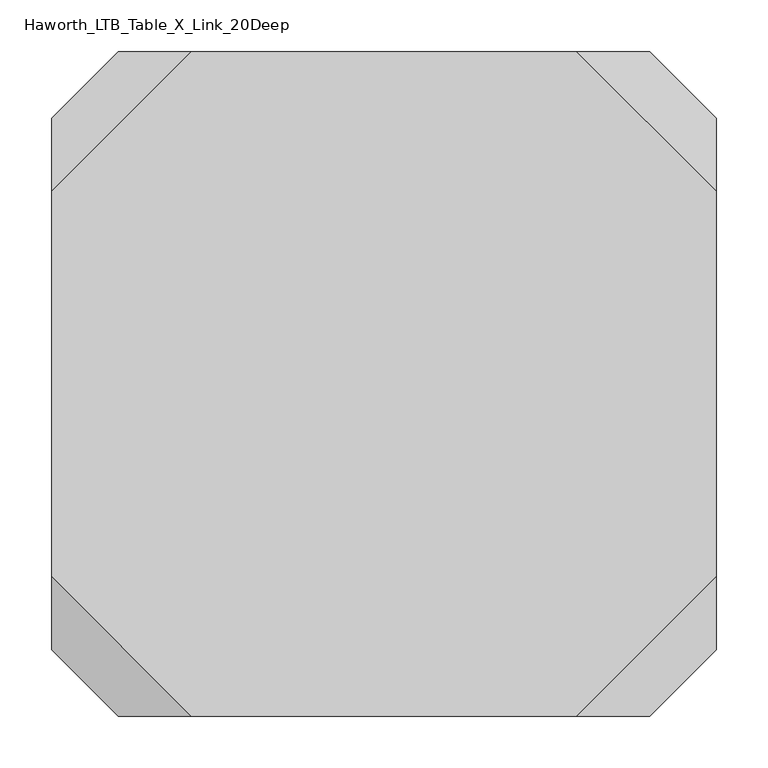
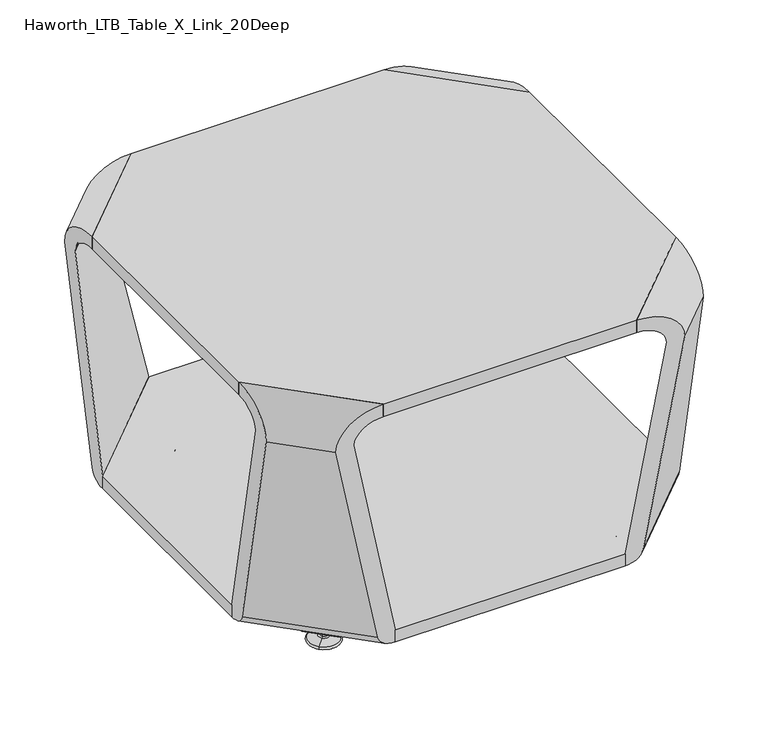
"""IFC4 building model written with IfcOpenShell, lengths in millimetres: furniture geometry, Haworth_LTB_Table_X_Link_20Deep."""

from ifc_helpers import new_model, si_unit, point, frame, frame_2d, origin, place, context, project, spatial, polyline, circle_curve, ellipse_curve, trimmed, segment, composite_curve, outline, extrude, source, transform, mapped, element, save
from ifc_brep_helpers import plane_surface, cylinder_surface, revolved_surface, advanced_brep


def haworth_ltb_table_x_link_20deep_83288679(model_context):
    return source(origin(), model_context, "Body", "SolidModel", [
        extrude(outline(polyline([(123.855675, -689.2395615), (123.855675, -360.9008317), (284.7619726, -199.9945342), (613.1005112, -199.9945342), (765.205675, -352.0996981), (765.205675, -689.2393738), (613.1005146, -841.3445342), (275.9606478, -841.3445342), (123.855675, -689.2395615)])), frame((0.0, 0.0, 50.0000004), z_axis=(0.0, 0.0, 1.0), x_axis=(1.0, 0.0, 0.0)), (0.0, 0.0, 1.0), 18.9999985),
        extrude(outline(polyline([(123.855675, -334.8572138), (258.7183546, -199.9945342), (630.3429954, -199.9945342), (765.205675, -334.8572138), (765.205675, -706.4818546), (630.3429954, -841.3445342), (258.7183546, -841.3445342), (123.855675, -706.4818546), (123.855675, -334.8572138)])), frame((0.0, 0.0, 406.0000002), z_axis=(0.0, 0.0, 1.0), x_axis=(1.0, 0.0, 0.0)), (0.0, 0.0, 1.0), 19.4499998),
        advanced_brep(
        [(765.205675, -706.4818546, 425.45), (765.205675, -777.1925821, 375.0000029), (765.205675, -715.8480344, 66.3557108), (765.205675, -689.2394478, 50.0000004), (765.205675, -689.2394841, 68.9999989), (765.205675, -750.2911718, 376.1711523), (765.205675, -706.4818546, 406.0000002), (630.3429954, -841.3445342, 406.0000002), (674.1523126, -841.3445342, 376.1711523), (613.1006249, -841.3445342, 68.9999989), (613.1005886, -841.3445342, 50.0000004), (639.7091752, -841.3445342, 66.3557108), (701.0537229, -841.3445342, 375.0000029), (630.3429954, -841.3445342, 425.45)],
        [
            (0, 1, ellipse_curve(frame((765.205675, -705.6435015, 374.8604405), z_axis=(1.0, 0.0, 0.0), x_axis=(0.0, 1.0, 0.0)), 71.5493529, 50.5930326)),
            (1, 2),
            (2, 3, ellipse_curve(frame((765.205675, -689.2394737, 69.000001), z_axis=(1.0, 0.0, 0.0), x_axis=(0.0, 1.0, 0.0)), 26.8700585, 19.0000006)),
            (3, 4),
            (4, 5),
            (5, 6, ellipse_curve(frame((765.205675, -706.4818526, 375.0000031), z_axis=(-1.0, 0.0, 0.0), x_axis=(0.0, -1.0, 0.0)), 43.8406163, 30.9999971)),
            (6, 0),
            (7, 8, ellipse_curve(frame((630.3429934, -841.3445342, 375.0000031), z_axis=(0.0, 1.0, 0.0), x_axis=(-1.0, 0.0, 0.0)), 43.8406163, 30.9999971)),
            (8, 9),
            (9, 10),
            (10, 11, ellipse_curve(frame((613.1006145, -841.3445342, 69.000001), z_axis=(0.0, -1.0, 0.0), x_axis=(1.0, 0.0, 0.0)), 26.8700585, 19.0000006)),
            (11, 12),
            (12, 13, ellipse_curve(frame((629.5046423, -841.3445342, 374.8604405), z_axis=(0.0, -1.0, 0.0), x_axis=(1.0, 0.0, 0.0)), 71.5493529, 50.5930326)),
            (13, 7),
            (13, 0),
            (6, 7),
            (5, 8),
            (4, 9),
            (3, 10),
            (2, 11),
            (1, 12),
        ],
        [
            plane_surface(frame((765.205675, -916.3539092, 476.25), z_axis=(1.0, 0.0, 0.0), x_axis=(0.0, 0.0, -1.0))),
            plane_surface(frame((48.8463, -841.3445342, 476.25), z_axis=(0.0, -1.0, 0.0), x_axis=(0.0, 0.0, -1.0))),
            plane_surface(frame((823.4979209, -648.1896087, 425.45), z_axis=(-0.7071067811865491, 0.707106781186546, 0.0), x_axis=(-0.707106781186546, -0.7071067811865491, 0.0))),
            revolved_surface(polyline([(630.3429934161734, -885.1851505161733, 375.0000031), (809.0462913161731, -706.4818526161728, 375.0000031)]), (572.0507485, -899.6367791, 375.0000031), (-0.707106781186546, -0.7071067811865491, 0.0)),
            plane_surface(frame((845.4025795, -670.0942673, 376.1711523), z_axis=(-0.7002252753679965, 0.7002252753679934, 0.13917301272743787), x_axis=(-0.707106781186546, -0.7071067811865491, 0.0))),
            plane_surface(frame((814.8767357, -639.5684235, 68.9999989), z_axis=(-0.7071067811859026, 0.7071067811858995, 1.352248489364839e-06), x_axis=(-0.707106781186546, -0.7071067811865491, 0.0))),
            cylinder_surface(frame((563.4295591, -891.0155896, 69.000001), z_axis=(0.707106781186546, 0.7071067811865491, 0.0), x_axis=(0.7071067811865491, -0.707106781186546, 0.0)), 19.0000006),
            plane_surface(frame((828.1810108, -652.8726986, 66.3557108), z_axis=(0.7002252605744773, -0.700225260574474, -0.13917316158949414), x_axis=(-0.7071067811865458, -0.7071067811865492, 0.0))),
            cylinder_surface(frame((571.631573, -899.2176035, 374.8604405), z_axis=(0.707106781186546, 0.7071067811865491, 0.0), x_axis=(0.7071067811865491, -0.707106781186546, 0.0)), 50.5930326),
        ],
        [
            (0, [[1, 2, 3, 4, 5, 6, 7]]),
            (1, [[8, 9, 10, 11, 12, 13, 14]]),
            (2, [[15, -7, 16, -14]]),
            (3, [[-16, -6, 17, -8]]),
            (4, [[-17, -5, 18, -9]]),
            (5, [[-18, -4, 19, -10]]),
            (6, [[-19, -3, 20, -11]]),
            (7, [[-20, -2, 21, -12]]),
            (8, [[-21, -1, -15, -13]]),
        ],
    ),
        advanced_brep(
        [(123.855675, -706.4818546, 406.0000002), (123.855675, -750.2911718, 376.1711523), (123.855675, -689.2394841, 68.9999989), (123.855675, -689.2394478, 50.0000004), (123.855675, -715.8480344, 66.3557108), (123.855675, -777.1925821, 375.0000029), (123.855675, -706.4818546, 425.45), (258.7183546, -841.3445342, 406.0000002), (258.7183546, -841.3445342, 425.45), (214.9090374, -841.3445342, 376.1711523), (275.9607252, -841.3445342, 68.9999989), (275.9607615, -841.3445342, 50.0000004), (249.3521749, -841.3445342, 66.3557108), (188.0076271, -841.3445342, 375.0000029)],
        [
            (0, 1, ellipse_curve(frame((123.855675, -706.4818526, 375.0000031), z_axis=(1.0, 0.0, 0.0), x_axis=(0.0, -1.0, 0.0)), 43.8406163, 30.9999971)),
            (1, 2),
            (2, 3),
            (3, 4, ellipse_curve(frame((123.855675, -689.2394737, 69.000001), z_axis=(-1.0, 0.0, 0.0), x_axis=(0.0, 1.0, 0.0)), 26.8700585, 19.0000006)),
            (4, 5),
            (5, 6, ellipse_curve(frame((123.855675, -705.6435015, 374.8604405), z_axis=(-1.0, 0.0, 0.0), x_axis=(0.0, 1.0, 0.0)), 71.5493529, 50.5930326)),
            (6, 0),
            (7, 0),
            (6, 8),
            (8, 7),
            (9, 1),
            (7, 9, ellipse_curve(frame((258.7183567, -841.3445342, 375.0000031), z_axis=(0.0, -1.0, 0.0), x_axis=(1.0, 0.0, 0.0)), 43.8406163, 30.9999971)),
            (10, 2),
            (9, 10),
            (11, 3),
            (10, 11),
            (12, 4),
            (11, 12, ellipse_curve(frame((275.9607356, -841.3445342, 69.000001), z_axis=(0.0, 1.0, 0.0), x_axis=(-1.0, 0.0, 0.0)), 26.8700585, 19.0000006)),
            (13, 5),
            (12, 13),
            (13, 8, ellipse_curve(frame((259.5567078, -841.3445342, 374.8604405), z_axis=(0.0, 1.0, 0.0), x_axis=(-1.0, 0.0, 0.0)), 71.5493529, 50.5930326)),
        ],
        [
            plane_surface(frame((123.855675, -124.9851592, 476.25), z_axis=(-1.0, 0.0, 0.0), x_axis=(0.0, 0.0, -1.0))),
            plane_surface(frame((65.5634291, -648.1896087, 406.0000002), z_axis=(0.7071067811865491, 0.707106781186546, 0.0), x_axis=(0.707106781186546, -0.7071067811865491, 0.0))),
            revolved_surface(polyline([(258.71835668382664, -885.1851505161732, 375.0000031), (80.01505873382709, -706.4818525661728, 375.0000031)]), (317.0106016, -899.6367791, 375.0000031), (0.707106781186546, -0.7071067811865491, 0.0)),
            plane_surface(frame((74.1846144, -639.5684235, 68.9999989), z_axis=(0.7002252753679965, 0.7002252753679933, 0.13917301272743782), x_axis=(0.7071067811865459, -0.7071067811865491, 0.0))),
            plane_surface(frame((74.1846326, -639.5684053, 50.0000004), z_axis=(0.7071067811859026, 0.7071067811858994, 1.352248489364839e-06), x_axis=(0.7071067811865459, -0.7071067811865491, 0.0))),
            cylinder_surface(frame((325.631791, -891.0155896, 69.000001), z_axis=(-0.707106781186546, 0.7071067811865491, 0.0), x_axis=(-0.7071067811865491, -0.707106781186546, 0.0)), 19.0000006),
            plane_surface(frame((30.2080654, -683.5449725, 375.0000029), z_axis=(-0.7002252605744772, -0.7002252605744741, -0.1391731615894943), x_axis=(0.707106781186546, -0.7071067811865491, 0.0))),
            cylinder_surface(frame((317.4297771, -899.2176035, 374.8604405), z_axis=(-0.707106781186546, 0.7071067811865491, 0.0), x_axis=(-0.7071067811865491, -0.707106781186546, 0.0)), 50.5930326),
            plane_surface(frame((48.8463, -841.3445342, 476.25), z_axis=(0.0, -1.0, 0.0), x_axis=(0.0, 0.0, -1.0))),
        ],
        [
            (0, [[1, 2, 3, 4, 5, 6, 7]]),
            (1, [[8, -7, 9, 10]]),
            (2, [[11, -1, -8, 12]]),
            (3, [[13, -2, -11, 14]]),
            (4, [[15, -3, -13, 16]]),
            (5, [[17, -4, -15, 18]]),
            (6, [[19, -5, -17, 20]]),
            (7, [[-9, -6, -19, 21]]),
            (8, [[-21, -20, -18, -16, -14, -12, -10]]),
        ],
    ),
        advanced_brep(
        [(630.3429954, -199.9945342, 425.45), (701.0537229, -199.9945342, 375.0000029), (639.7091752, -199.9945342, 66.3557108), (613.1005886, -199.9945342, 50.0000004), (613.1006249, -199.9945342, 68.9999989), (674.1523126, -199.9945342, 376.1711523), (630.3429954, -199.9945342, 406.0000002), (765.205675, -334.8572138, 406.0000002), (765.205675, -334.8572138, 425.45), (765.205675, -291.0478966, 376.1711523), (765.205675, -352.0995843, 68.9999989), (765.205675, -352.0996207, 50.0000004), (765.205675, -325.4910341, 66.3557108), (765.205675, -264.1464863, 375.0000029)],
        [
            (0, 1, ellipse_curve(frame((629.5046423, -199.9945342, 374.8604405), z_axis=(0.0, 1.0, 0.0), x_axis=(1.0, 0.0, 0.0)), 71.5493529, 50.5930326)),
            (1, 2),
            (2, 3, ellipse_curve(frame((613.1006145, -199.9945342, 69.000001), z_axis=(0.0, 1.0, 0.0), x_axis=(1.0, 0.0, 0.0)), 26.8700585, 19.0000006)),
            (3, 4),
            (4, 5),
            (5, 6, ellipse_curve(frame((630.3429934, -199.9945342, 375.0000031), z_axis=(0.0, -1.0, 0.0), x_axis=(-1.0, 0.0, 0.0)), 43.8406163, 30.9999971)),
            (6, 0),
            (6, 7),
            (7, 8),
            (8, 0),
            (5, 9),
            (9, 7, ellipse_curve(frame((765.205675, -334.8572159, 375.0000031), z_axis=(1.0, 0.0, 0.0), x_axis=(0.0, 1.0, 0.0)), 43.8406163, 30.9999971)),
            (4, 10),
            (10, 9),
            (3, 11),
            (11, 10),
            (2, 12),
            (12, 11, ellipse_curve(frame((765.205675, -352.0995948, 69.000001), z_axis=(-1.0, 0.0, 0.0), x_axis=(0.0, -1.0, 0.0)), 26.8700585, 19.0000006)),
            (1, 13),
            (13, 12),
            (8, 13, ellipse_curve(frame((765.205675, -335.695567, 374.8604405), z_axis=(-1.0, 0.0, 0.0), x_axis=(0.0, -1.0, 0.0)), 71.5493529, 50.5930326)),
        ],
        [
            plane_surface(frame((915.224425, -199.9945342, 476.25), z_axis=(0.0, 1.0, 0.0), x_axis=(0.0, 0.0, -1.0))),
            plane_surface(frame((823.4979209, -393.1494597, 406.0000002), z_axis=(-0.707106781186549, -0.7071067811865461, 0.0), x_axis=(-0.7071067811865461, 0.707106781186549, 0.0))),
            revolved_surface(polyline([(630.3429933661733, -156.15391793382682, 375.0000031), (809.0462913161731, -334.8572158838273, 375.0000031)]), (572.0507485, -141.7022894, 375.0000031), (-0.707106781186546, 0.7071067811865491, 0.0)),
            plane_surface(frame((814.8767357, -401.770645, 68.9999989), z_axis=(-0.7002252753679965, -0.7002252753679933, 0.13917301272743776), x_axis=(-0.7071067811865459, 0.7071067811865491, 0.0))),
            plane_surface(frame((814.8767175, -401.7706631, 50.0000004), z_axis=(-0.7071067811859026, -0.7071067811858995, 1.3522484888926165e-06), x_axis=(-0.707106781186546, 0.7071067811865491, 0.0))),
            cylinder_surface(frame((563.4295591, -150.3234788, 69.000001), z_axis=(0.707106781186546, -0.7071067811865491, 0.0), x_axis=(0.7071067811865491, 0.707106781186546, 0.0)), 19.0000006),
            plane_surface(frame((858.8532847, -357.794096, 375.0000029), z_axis=(0.7002252605744772, 0.7002252605744741, -0.13917316158949425), x_axis=(-0.707106781186546, 0.7071067811865491, 0.0))),
            cylinder_surface(frame((571.631573, -142.1214649, 374.8604405), z_axis=(0.707106781186546, -0.7071067811865491, 0.0), x_axis=(0.7071067811865491, 0.707106781186546, 0.0)), 50.5930326),
            plane_surface(frame((765.205675, -916.3539092, 476.25), z_axis=(1.0, 0.0, 0.0), x_axis=(0.0, 0.0, -1.0))),
        ],
        [
            (0, [[1, 2, 3, 4, 5, 6, 7]]),
            (1, [[8, 9, 10, -7]]),
            (2, [[11, 12, -8, -6]]),
            (3, [[13, 14, -11, -5]]),
            (4, [[15, 16, -13, -4]]),
            (5, [[17, 18, -15, -3]]),
            (6, [[19, 20, -17, -2]]),
            (7, [[-10, 21, -19, -1]]),
            (8, [[-12, -14, -16, -18, -20, -21, -9]]),
        ],
    ),
        advanced_brep(
        [(258.7183546, -199.9945342, 425.45), (123.855675, -334.8572138, 425.45), (123.855675, -334.8572138, 406.0000002), (258.7183546, -199.9945342, 406.0000002), (123.855675, -291.0478966, 376.1711523), (214.9090374, -199.9945342, 376.1711523), (123.855675, -360.9008317, 68.9999989), (284.7619726, -199.9945342, 68.9999989), (123.855675, -360.9008317, 49.9999749), (284.7619726, -199.9945342, 49.9999749), (123.855675, -334.2922451, 66.3557108), (258.153386, -199.9945342, 66.3557108), (123.855675, -264.1464863, 375.0000029), (188.0076271, -199.9945342, 375.0000029)],
        [
            (0, 1),
            (1, 2),
            (2, 3),
            (3, 0),
            (2, 4, ellipse_curve(frame((123.855675, -334.8572159, 375.0000031), z_axis=(-1.0, 0.0, 0.0), x_axis=(0.0, 1.0, 0.0)), 43.8406163, 30.9999971)),
            (4, 5),
            (5, 3, ellipse_curve(frame((258.7183567, -199.9945342, 375.0000031), z_axis=(0.0, 1.0, 0.0), x_axis=(1.0, 0.0, 0.0)), 43.8406163, 30.9999971)),
            (4, 6),
            (6, 7),
            (7, 5),
            (6, 8),
            (8, 9),
            (9, 7),
            (8, 10, ellipse_curve(frame((123.855675, -360.9008422, 69.000001), z_axis=(1.0, 0.0, 0.0), x_axis=(0.0, -1.0, 0.0)), 26.8700945, 19.000026)),
            (10, 11),
            (11, 9, ellipse_curve(frame((284.761983, -199.9945342, 69.000001), z_axis=(0.0, -1.0, 0.0), x_axis=(-1.0, 0.0, 0.0)), 26.8700945, 19.000026)),
            (10, 12),
            (12, 13),
            (13, 11),
            (12, 1, ellipse_curve(frame((123.855675, -335.695567, 374.8604405), z_axis=(1.0, 0.0, 0.0), x_axis=(0.0, -1.0, 0.0)), 71.5493529, 50.5930326)),
            (0, 13, ellipse_curve(frame((259.5567078, -199.9945342, 374.8604405), z_axis=(0.0, -1.0, 0.0), x_axis=(-1.0, 0.0, 0.0)), 71.5493529, 50.5930326)),
        ],
        [
            plane_surface(frame((65.5634291, -393.1494597, 425.45), z_axis=(0.7071067811865491, -0.7071067811865459, 0.0), x_axis=(0.7071067811865459, 0.7071067811865491, 0.0))),
            revolved_surface(polyline([(258.7183567338267, -156.15391793382685, 375.0000031), (80.01505873382703, -334.85721593382726, 375.0000031)]), (317.0106016, -141.7022894, 375.0000031), (0.707106781186546, 0.7071067811865491, 0.0)),
            plane_surface(frame((43.6587705, -371.2448011, 376.1711523), z_axis=(0.6981384941053858, -0.6981384941053826, 0.15876172742992242), x_axis=(0.7071067811865459, 0.7071067811865491, 0.0))),
            plane_surface(frame((78.5852381, -406.1712687, 68.9999989), z_axis=(0.7071067811865492, -0.7071067811865458, 0.0), x_axis=(0.7071067811865458, 0.7071067811865492, 0.0))),
            cylinder_surface(frame((330.0324147, -154.7241025, 69.000001), z_axis=(-0.707106781186546, -0.7071067811865491, 0.0), x_axis=(-0.7071067811865491, 0.707106781186546, 0.0)), 19.000026),
            plane_surface(frame((65.2809448, -392.8669754, 66.3557108), z_axis=(-0.6981490657558722, 0.6981490657558691, -0.15866872397675041), x_axis=(0.707106781186546, 0.7071067811865491, 0.0))),
            cylinder_surface(frame((317.4297771, -142.1214649, 374.8604405), z_axis=(-0.707106781186546, -0.7071067811865491, 0.0), x_axis=(-0.7071067811865491, 0.707106781186546, 0.0)), 50.5930326),
            plane_surface(frame((915.224425, -199.9945342, 476.25), z_axis=(0.0, 1.0, 0.0), x_axis=(0.0, 0.0, -1.0))),
            plane_surface(frame((123.855675, -124.9851592, 476.25), z_axis=(-1.0, 0.0, 0.0), x_axis=(0.0, 0.0, -1.0))),
        ],
        [
            (0, [[1, 2, 3, 4]]),
            (1, [[-3, 5, 6, 7]]),
            (2, [[-6, 8, 9, 10]]),
            (3, [[-9, 11, 12, 13]]),
            (4, [[-12, 14, 15, 16]]),
            (5, [[-15, 17, 18, 19]]),
            (6, [[-18, 20, -1, 21]]),
            (7, [[-7, -10, -13, -16, -19, -21, -4]]),
            (8, [[-20, -17, -14, -11, -8, -5, -2]]),
        ],
    ),
        advanced_brep(
        [(239.0054742, -315.0121224, 7.8133431), (241.2922739, -317.2989221, 7.8133431), (229.9834824, -305.9901306, 7.8133431), (232.2702821, -308.2769303, 7.8133431), (251.1510069, -327.1576551, 4.0775), (220.1247494, -296.1313976, 4.0775), (250.8607033, -326.8673516, 0.0), (220.4150529, -296.4217012, 0.0), (235.6378781, -311.6445264, 0.0), (235.6378781, -311.6445264, 50.0000004), (239.0054742, -315.0121224, 50.0000004), (232.2702821, -308.2769303, 50.0000004)],
        [
            (0, 1),
            (1, 2, circle_curve(frame((235.6378781, -311.6445264, 7.8133431), z_axis=(0.0, 0.0, 1.0), x_axis=(-0.7071067811865458, 0.7071067811865493, 0.0)), 7.9965232)),
            (2, 3),
            (3, 0, circle_curve(frame((235.6378781, -311.6445264, 7.8133431), z_axis=(0.0, 0.0, -1.0), x_axis=(-0.7071067811865458, 0.7071067811865493, 0.0)), 4.7625)),
            (2, 1, circle_curve(frame((235.6378781, -311.6445264, 7.8133431), z_axis=(0.0, 0.0, 1.0), x_axis=(-0.7071067811865458, 0.7071067811865493, 0.0)), 7.9965232)),
            (0, 3, circle_curve(frame((235.6378781, -311.6445264, 7.8133431), z_axis=(0.0, 0.0, -1.0), x_axis=(-0.7071067811865458, 0.7071067811865493, 0.0)), 4.7625)),
            (1, 4),
            (4, 5, circle_curve(frame((235.6378781, -311.6445264, 4.0775), z_axis=(0.0, 0.0, 1.0), x_axis=(-0.7071067811865458, 0.7071067811865493, 0.0)), 21.9388771)),
            (5, 2),
            (5, 4, circle_curve(frame((235.6378781, -311.6445264, 4.0775), z_axis=(0.0, 0.0, 1.0), x_axis=(-0.7071067811865458, 0.7071067811865493, 0.0)), 21.9388771)),
            (4, 6, circle_curve(frame((250.771062, -326.7777103, 2.0721829), z_axis=(0.707106781186547, 0.7071067811865481, 0.0), x_axis=(-0.7071067811865481, 0.707106781186547, 0.0)), 2.0760571)),
            (6, 7, circle_curve(frame((235.6378781, -311.6445264, 0.0), z_axis=(0.0, 0.0, 1.0), x_axis=(-0.7071067811865458, 0.7071067811865493, 0.0)), 21.5283258)),
            (7, 5, circle_curve(frame((220.5046942, -296.5113425, 2.0721829), z_axis=(0.7071067811865493, 0.7071067811865458, 0.0), x_axis=(0.7071067811865458, -0.7071067811865493, 0.0)), 2.0760571)),
            (7, 6, circle_curve(frame((235.6378781, -311.6445264, 0.0), z_axis=(0.0, 0.0, 1.0), x_axis=(-0.7071067811865458, 0.7071067811865493, 0.0)), 21.5283258)),
            (6, 8),
            (8, 7),
            (9, 10),
            (10, 11, circle_curve(frame((235.6378781, -311.6445264, 50.0000004), z_axis=(0.0, 0.0, 1.0), x_axis=(-0.7071067811865458, 0.7071067811865493, 0.0)), 4.7625)),
            (11, 9),
            (11, 10, circle_curve(frame((235.6378781, -311.6445264, 50.0000004), z_axis=(0.0, 0.0, 1.0), x_axis=(-0.7071067811865458, 0.7071067811865493, 0.0)), 4.7625)),
            (10, 0),
            (3, 11),
        ],
        [
            plane_surface(frame((235.6378781, -311.6445264, 7.8133431), z_axis=(0.0, 0.0, 1.0), x_axis=(-0.7071067811865458, 0.7071067811865493, 0.0))),
            revolved_surface(polyline([(220.1247494, -296.1313976, 4.0775), (229.9834824, -305.9901306, 7.8133431)]), (235.6378781, -311.6445264, 0.0), (0.0, 0.0, 1.0)),
            revolved_surface(trimmed(ellipse_curve(frame((220.5046942, -296.5113425, 2.0721829), z_axis=(0.7071067811865493, 0.7071067811865458, 0.0), x_axis=(0.7071067811865458, -0.7071067811865493, 0.0)), 2.0760571, 2.0760571), [point((220.4150529, -296.4217012, 0.0))], [point((220.1247494, -296.1313976, 4.0775))], True, "CARTESIAN"), (235.6378781, -311.6445264, 0.0), (0.0, 0.0, 1.0)),
            plane_surface(frame((235.6378781, -311.6445264, 0.0), z_axis=(0.0, 0.0, -1.0), x_axis=(-0.7071067811865458, 0.7071067811865493, 0.0))),
            plane_surface(frame((235.6378781, -311.6445264, 50.0000004), z_axis=(0.0, 0.0, 1.0), x_axis=(-0.7071067811865458, 0.7071067811865493, 0.0))),
            cylinder_surface(frame((235.6378781, -311.6445264, 0.0), z_axis=(0.0, 0.0, 1.0), x_axis=(-0.7071067811865458, 0.7071067811865493, 0.0)), 4.7625),
        ],
        [
            (0, [[1, 2, 3, 4]]),
            (0, [[-3, 5, -1, 6]]),
            (1, [[7, 8, 9, -2]]),
            (1, [[-9, 10, -7, -5]]),
            (2, [[11, 12, 13, -8]]),
            (2, [[-13, 14, -11, -10]]),
            (3, [[15, 16, -12]]),
            (3, [[-16, -15, -14]]),
            (4, [[17, 18, 19]]),
            (4, [[-19, 20, -17]]),
            (5, [[21, -4, 22, -18]]),
            (5, [[-22, -6, -21, -20]]),
        ],
    ),
        extrude(outline(composite_curve([segment(polyline([(-9.310002, -9.310002), (-9.310002, -19.1875394)]), True, "CONTINUOUS"), segment(trimmed(circle_curve(frame_2d((0.0, -19.1875394)), 9.310002), [point((-9.310002, -19.1875394))], [point((-0.7937553, -28.4636426))], True, "CARTESIAN"), True, "CONTINUOUS"), segment(polyline([(-0.7937553, -28.4636426), (6.9117032, -29.122998)]), True, "CONTINUOUS"), segment(trimmed(circle_curve(frame_2d((4.8241067, -43.97702)), 15.000001), [point((6.9117032, -29.122998))], [point((19.8241077, -43.97702))], False, "CARTESIAN"), True, "CONTINUOUS"), segment(polyline([(19.8241077, -43.97702), (19.8241077, -59.4425547), (14.1341071, -59.4425547), (14.1341071, -43.9770214)]), True, "CONTINUOUS"), segment(trimmed(circle_curve(frame_2d((4.8241051, -43.9770214)), 9.310002), [point((14.1341071, -43.9770214))], [point((6.1198051, -34.7576235))], True, "CARTESIAN"), True, "CONTINUOUS"), segment(polyline([(6.1198051, -34.7576235), (-1.7775308, -34.0818492)]), True, "CONTINUOUS"), segment(trimmed(circle_curve(frame_2d((-1.6e-06, -19.1875408)), 15.000001), [point((-1.7775308, -34.0818492))], [point((-15.0000026, -19.1875408))], False, "CARTESIAN"), True, "CONTINUOUS"), segment(polyline([(-15.0000026, -19.1875408), (-15.0000026, -9.3100006)]), True, "CONTINUOUS"), segment(trimmed(circle_curve(frame_2d((-1.6e-06, -9.3100006)), 15.000001), [point((-15.0000026, -9.3100006))], [point((-1.7775308, 5.5843077))], False, "CARTESIAN"), True, "CONTINUOUS"), segment(polyline([(-1.7775308, 5.5843077), (6.1198051, 6.260082)]), True, "CONTINUOUS"), segment(trimmed(circle_curve(frame_2d((4.8241051, 15.47948)), 9.310002), [point((6.1198051, 6.260082))], [point((14.1341071, 15.47948))], True, "CARTESIAN"), True, "CONTINUOUS"), segment(polyline([(14.1341071, 15.47948), (14.1341071, 30.9450132), (19.8241077, 30.9450132), (19.8241077, 15.4794785)]), True, "CONTINUOUS"), segment(trimmed(circle_curve(frame_2d((4.8241067, 15.4794785)), 15.000001), [point((19.8241077, 15.4794785))], [point((6.9117032, 0.6254565))], False, "CARTESIAN"), True, "CONTINUOUS"), segment(polyline([(6.9117032, 0.6254565), (-0.7937553, -0.0338988)]), True, "CONTINUOUS"), segment(trimmed(circle_curve(frame_2d((0.0, -9.310002)), 9.310002), [point((-0.7937553, -0.0338988))], [point((-9.310002, -9.310002))], True, "CARTESIAN"), True, "CONTINUOUS")], self_intersect=False)), frame((227.7527683, -339.680441, 30.0000023), z_axis=(0.7071067811865467, 0.7071067811865483, 0.0), x_axis=(0.0, 0.0, 1.0)), (0.0, 0.0, 1.0), 50.8),
        advanced_brep(
        [(647.7690762, -317.2989221, 7.8133431), (650.0558759, -315.0121224, 7.8133431), (656.791068, -308.2769303, 7.8133431), (659.0778677, -305.9901306, 7.8133431), (637.9103432, -327.1576551, 4.0775), (668.9366007, -296.1313976, 4.0775), (638.2006468, -326.8673516, 0.0), (668.6462971, -296.4217012, 0.0), (653.4234719, -311.6445264, 0.0), (650.0558759, -315.0121224, 50.0000004), (653.4234719, -311.6445264, 50.0000004), (656.791068, -308.2769303, 50.0000004)],
        [
            (0, 1),
            (1, 2, circle_curve(frame((653.4234719, -311.6445264, 7.8133431), z_axis=(0.0, 0.0, -1.0), x_axis=(0.7071067811865458, 0.7071067811865493, 0.0)), 4.7625)),
            (2, 3),
            (3, 0, circle_curve(frame((653.4234719, -311.6445264, 7.8133431), z_axis=(0.0, 0.0, 1.0), x_axis=(0.7071067811865458, 0.7071067811865493, 0.0)), 7.9965232)),
            (2, 1, circle_curve(frame((653.4234719, -311.6445264, 7.8133431), z_axis=(0.0, 0.0, -1.0), x_axis=(0.7071067811865458, 0.7071067811865493, 0.0)), 4.7625)),
            (0, 3, circle_curve(frame((653.4234719, -311.6445264, 7.8133431), z_axis=(0.0, 0.0, 1.0), x_axis=(0.7071067811865458, 0.7071067811865493, 0.0)), 7.9965232)),
            (4, 0),
            (3, 5),
            (5, 4, circle_curve(frame((653.4234719, -311.6445264, 4.0775), z_axis=(0.0, 0.0, 1.0), x_axis=(0.7071067811865458, 0.7071067811865493, 0.0)), 21.9388771)),
            (4, 5, circle_curve(frame((653.4234719, -311.6445264, 4.0775), z_axis=(0.0, 0.0, 1.0), x_axis=(0.7071067811865458, 0.7071067811865493, 0.0)), 21.9388771)),
            (6, 4, circle_curve(frame((638.2902881, -326.7777103, 2.0721829), z_axis=(-0.707106781186547, 0.7071067811865481, 0.0), x_axis=(0.7071067811865481, 0.707106781186547, 0.0)), 2.0760571)),
            (5, 7, circle_curve(frame((668.5566558, -296.5113425, 2.0721829), z_axis=(-0.7071067811865493, 0.7071067811865458, 0.0), x_axis=(-0.7071067811865458, -0.7071067811865493, 0.0)), 2.0760571)),
            (7, 6, circle_curve(frame((653.4234719, -311.6445264, 0.0), z_axis=(0.0, 0.0, 1.0), x_axis=(0.7071067811865458, 0.7071067811865493, 0.0)), 21.5283258)),
            (6, 7, circle_curve(frame((653.4234719, -311.6445264, 0.0), z_axis=(0.0, 0.0, 1.0), x_axis=(0.7071067811865458, 0.7071067811865493, 0.0)), 21.5283258)),
            (8, 6),
            (7, 8),
            (9, 10),
            (10, 11),
            (11, 9, circle_curve(frame((653.4234719, -311.6445264, 50.0000004), z_axis=(0.0, 0.0, 1.0), x_axis=(0.7071067811865458, 0.7071067811865493, 0.0)), 4.7625)),
            (9, 11, circle_curve(frame((653.4234719, -311.6445264, 50.0000004), z_axis=(0.0, 0.0, 1.0), x_axis=(0.7071067811865458, 0.7071067811865493, 0.0)), 4.7625)),
            (1, 9),
            (11, 2),
        ],
        [
            plane_surface(frame((653.4234719, -311.6445264, 7.8133431), z_axis=(0.0, 0.0, 1.0), x_axis=(0.7071067811865458, 0.7071067811865493, 0.0))),
            revolved_surface(polyline([(659.0778677, -305.9901306, 7.8133431), (668.9366007, -296.1313976, 4.0775)]), (653.4234719, -311.6445264, 0.0), (0.0, 0.0, -1.0)),
            revolved_surface(trimmed(ellipse_curve(frame((668.5566558, -296.5113425, 2.0721829), z_axis=(-0.7071067811865493, 0.7071067811865458, 0.0), x_axis=(-0.7071067811865458, -0.7071067811865493, 0.0)), 2.0760571, 2.0760571), [point((668.9366007, -296.1313976, 4.0775))], [point((668.6462971, -296.4217012, 0.0))], True, "CARTESIAN"), (653.4234719, -311.6445264, 0.0), (0.0, 0.0, -1.0)),
            plane_surface(frame((653.4234719, -311.6445264, 0.0), z_axis=(0.0, 0.0, -1.0), x_axis=(0.7071067811865458, 0.7071067811865493, 0.0))),
            plane_surface(frame((653.4234719, -311.6445264, 50.0000004), z_axis=(0.0, 0.0, 1.0), x_axis=(0.7071067811865458, 0.7071067811865493, 0.0))),
            cylinder_surface(frame((653.4234719, -311.6445264, 0.0), z_axis=(0.0, 0.0, -1.0), x_axis=(0.7071067811865458, 0.7071067811865493, 0.0)), 4.7625),
        ],
        [
            (0, [[1, 2, 3, 4]]),
            (0, [[-3, 5, -1, 6]]),
            (1, [[7, -4, 8, 9]]),
            (1, [[-8, -6, -7, 10]]),
            (2, [[11, -9, 12, 13]]),
            (2, [[-12, -10, -11, 14]]),
            (3, [[15, -13, 16]]),
            (3, [[-16, -14, -15]]),
            (4, [[17, 18, 19]]),
            (4, [[-18, -17, 20]]),
            (5, [[21, -19, 22, -2]]),
            (5, [[-22, -20, -21, -5]]),
        ],
    ),
        extrude(outline(composite_curve([segment(trimmed(circle_curve(frame_2d((42.6726287, -9.310002)), 9.310002), [point((42.6726287, 0.0))], [point((33.3965256, -8.5162467))], True, "CARTESIAN"), True, "CONTINUOUS"), segment(polyline([(33.3965256, -8.5162467), (32.7371703, -16.2217052)]), True, "CONTINUOUS"), segment(trimmed(circle_curve(frame_2d((17.8831482, -14.1341087)), 15.000001), [point((32.7371703, -16.2217052))], [point((17.8831482, -29.1341097))], False, "CARTESIAN"), True, "CONTINUOUS"), segment(polyline([(17.8831482, -29.1341097), (2.4176136, -29.1341097), (2.4176136, -23.4441091), (17.8831468, -23.4441091)]), True, "CONTINUOUS"), segment(trimmed(circle_curve(frame_2d((17.8831468, -14.1341071)), 9.310002), [point((17.8831468, -23.4441091))], [point((27.1025448, -15.4298071))], True, "CARTESIAN"), True, "CONTINUOUS"), segment(polyline([(27.1025448, -15.4298071), (27.778319, -7.5324712)]), True, "CONTINUOUS"), segment(trimmed(circle_curve(frame_2d((42.6726274, -9.3100004)), 15.000001), [point((27.778319, -7.5324712))], [point((42.6726274, 5.6900006))], False, "CARTESIAN"), True, "CONTINUOUS"), segment(polyline([(42.6726274, 5.6900006), (52.5501676, 5.6900006)]), True, "CONTINUOUS"), segment(trimmed(circle_curve(frame_2d((52.5501676, -9.3100004)), 15.000001), [point((52.5501676, 5.6900006))], [point((67.4444759, -7.5324712))], False, "CARTESIAN"), True, "CONTINUOUS"), segment(polyline([(67.4444759, -7.5324712), (68.1202502, -15.4298071)]), True, "CONTINUOUS"), segment(trimmed(circle_curve(frame_2d((77.3396481, -14.1341071)), 9.310002), [point((68.1202502, -15.4298071))], [point((77.3396481, -23.4441091))], True, "CARTESIAN"), True, "CONTINUOUS"), segment(polyline([(77.3396481, -23.4441091), (92.8051815, -23.4441091), (92.8051815, -29.1341097), (77.3396468, -29.1341097)]), True, "CONTINUOUS"), segment(trimmed(circle_curve(frame_2d((77.3396468, -14.1341087)), 15.000001), [point((77.3396468, -29.1341097))], [point((62.4856247, -16.2217052))], False, "CARTESIAN"), True, "CONTINUOUS"), segment(polyline([(62.4856247, -16.2217052), (61.8262694, -8.5162467)]), True, "CONTINUOUS"), segment(trimmed(circle_curve(frame_2d((52.5501662, -9.310002)), 9.310002), [point((61.8262694, -8.5162467))], [point((52.5501662, 0.0))], True, "CARTESIAN"), True, "CONTINUOUS"), segment(polyline([(52.5501662, 0.0), (42.6726287, 0.0)]), True, "CONTINUOUS")], self_intersect=False)), frame((637.7176422, -363.2713807, 20.6900003), z_axis=(-0.7071067811865468, 0.7071067811865483, 0.0), x_axis=(0.7071067811865483, 0.7071067811865468, 0.0)), (0.0, 0.0, 1.0), 50.8),
        advanced_brep(
        [(650.0558759, -726.326946, 7.8133431), (647.7690762, -724.0401463, 7.8133431), (659.0778677, -735.3489378, 7.8133431), (656.791068, -733.0621381, 7.8133431), (637.9103432, -714.1814133, 4.0775), (668.9366007, -745.2076708, 4.0775), (638.2006468, -714.4717169, 0.0), (668.6462971, -744.9173672, 0.0), (653.4234719, -729.694542, 0.0), (653.4234719, -729.694542, 50.0000004), (650.0558759, -726.326946, 50.0000004), (656.791068, -733.0621381, 50.0000004)],
        [
            (0, 1),
            (1, 2, circle_curve(frame((653.4234719, -729.694542, 7.8133431), z_axis=(0.0, 0.0, 1.0), x_axis=(0.7071067811865458, -0.7071067811865493, 0.0)), 7.9965232)),
            (2, 3),
            (3, 0, circle_curve(frame((653.4234719, -729.694542, 7.8133431), z_axis=(0.0, 0.0, -1.0), x_axis=(0.7071067811865458, -0.7071067811865493, 0.0)), 4.7625)),
            (2, 1, circle_curve(frame((653.4234719, -729.694542, 7.8133431), z_axis=(0.0, 0.0, 1.0), x_axis=(0.7071067811865458, -0.7071067811865493, 0.0)), 7.9965232)),
            (0, 3, circle_curve(frame((653.4234719, -729.694542, 7.8133431), z_axis=(0.0, 0.0, -1.0), x_axis=(0.7071067811865458, -0.7071067811865493, 0.0)), 4.7625)),
            (1, 4),
            (4, 5, circle_curve(frame((653.4234719, -729.694542, 4.0775), z_axis=(0.0, 0.0, 1.0), x_axis=(0.7071067811865458, -0.7071067811865493, 0.0)), 21.9388771)),
            (5, 2),
            (5, 4, circle_curve(frame((653.4234719, -729.694542, 4.0775), z_axis=(0.0, 0.0, 1.0), x_axis=(0.7071067811865458, -0.7071067811865493, 0.0)), 21.9388771)),
            (4, 6, circle_curve(frame((638.2902881, -714.5613582, 2.0721829), z_axis=(-0.707106781186547, -0.7071067811865481, 0.0), x_axis=(0.7071067811865481, -0.707106781186547, 0.0)), 2.0760571)),
            (6, 7, circle_curve(frame((653.4234719, -729.694542, 0.0), z_axis=(0.0, 0.0, 1.0), x_axis=(0.7071067811865458, -0.7071067811865493, 0.0)), 21.5283258)),
            (7, 5, circle_curve(frame((668.5566558, -744.8277259, 2.0721829), z_axis=(-0.7071067811865493, -0.7071067811865458, 0.0), x_axis=(-0.7071067811865458, 0.7071067811865493, 0.0)), 2.0760571)),
            (7, 6, circle_curve(frame((653.4234719, -729.694542, 0.0), z_axis=(0.0, 0.0, 1.0), x_axis=(0.7071067811865458, -0.7071067811865493, 0.0)), 21.5283258)),
            (6, 8),
            (8, 7),
            (9, 10),
            (10, 11, circle_curve(frame((653.4234719, -729.694542, 50.0000004), z_axis=(0.0, 0.0, 1.0), x_axis=(0.7071067811865458, -0.7071067811865493, 0.0)), 4.7625)),
            (11, 9),
            (11, 10, circle_curve(frame((653.4234719, -729.694542, 50.0000004), z_axis=(0.0, 0.0, 1.0), x_axis=(0.7071067811865458, -0.7071067811865493, 0.0)), 4.7625)),
            (10, 0),
            (3, 11),
        ],
        [
            plane_surface(frame((653.4234719, -729.694542, 7.8133431), z_axis=(0.0, 0.0, 1.0), x_axis=(0.7071067811865458, -0.7071067811865493, 0.0))),
            revolved_surface(polyline([(668.9366007, -745.2076708, 4.0775), (659.0778677, -735.3489378, 7.8133431)]), (653.4234719, -729.694542, 0.0), (0.0, 0.0, 1.0)),
            revolved_surface(trimmed(ellipse_curve(frame((668.5566558, -744.8277259, 2.0721829), z_axis=(-0.7071067811865493, -0.7071067811865458, 0.0), x_axis=(-0.7071067811865458, 0.7071067811865493, 0.0)), 2.0760571, 2.0760571), [point((668.6462971, -744.9173672, 0.0))], [point((668.9366007, -745.2076708, 4.0775))], True, "CARTESIAN"), (653.4234719, -729.694542, 0.0), (0.0, 0.0, 1.0)),
            plane_surface(frame((653.4234719, -729.694542, 0.0), z_axis=(0.0, 0.0, -1.0), x_axis=(0.7071067811865458, -0.7071067811865493, 0.0))),
            plane_surface(frame((653.4234719, -729.694542, 50.0000004), z_axis=(0.0, 0.0, 1.0), x_axis=(0.7071067811865458, -0.7071067811865493, 0.0))),
            cylinder_surface(frame((653.4234719, -729.694542, 0.0), z_axis=(0.0, 0.0, 1.0), x_axis=(0.7071067811865458, -0.7071067811865493, 0.0)), 4.7625),
        ],
        [
            (0, [[1, 2, 3, 4]]),
            (0, [[-3, 5, -1, 6]]),
            (1, [[7, 8, 9, -2]]),
            (1, [[-9, 10, -7, -5]]),
            (2, [[11, 12, 13, -8]]),
            (2, [[-13, 14, -11, -10]]),
            (3, [[15, 16, -12]]),
            (3, [[-16, -15, -14]]),
            (4, [[17, 18, 19]]),
            (4, [[-19, 20, -17]]),
            (5, [[21, -4, 22, -18]]),
            (5, [[-22, -6, -21, -20]]),
        ],
    ),
        extrude(outline(composite_curve([segment(trimmed(circle_curve(frame_2d((0.0, -9.310002)), 9.310002), [point((9.310002, -9.310002))], [point((0.7937553, -0.0338988))], True, "CARTESIAN"), True, "CONTINUOUS"), segment(polyline([(0.7937553, -0.0338988), (-6.9117032, 0.6254565)]), True, "CONTINUOUS"), segment(trimmed(circle_curve(frame_2d((-4.8241067, 15.4794786)), 15.000001), [point((-6.9117032, 0.6254565))], [point((-19.8241077, 15.4794786))], False, "CARTESIAN"), True, "CONTINUOUS"), segment(polyline([(-19.8241077, 15.4794786), (-19.8241077, 30.9450132), (-14.1341071, 30.9450132), (-14.1341071, 15.47948)]), True, "CONTINUOUS"), segment(trimmed(circle_curve(frame_2d((-4.8241051, 15.47948)), 9.310002), [point((-14.1341071, 15.47948))], [point((-6.1198051, 6.260082))], True, "CARTESIAN"), True, "CONTINUOUS"), segment(polyline([(-6.1198051, 6.260082), (1.7775308, 5.5843077)]), True, "CONTINUOUS"), segment(trimmed(circle_curve(frame_2d((1.6e-06, -9.3100007)), 15.000001), [point((1.7775308, 5.5843077))], [point((15.0000026, -9.3100007))], False, "CARTESIAN"), True, "CONTINUOUS"), segment(polyline([(15.0000026, -9.3100007), (15.0000026, -19.1875408)]), True, "CONTINUOUS"), segment(trimmed(circle_curve(frame_2d((1.6e-06, -19.1875408)), 15.000001), [point((15.0000026, -19.1875408))], [point((1.7775308, -34.0818491))], False, "CARTESIAN"), True, "CONTINUOUS"), segment(polyline([(1.7775308, -34.0818491), (-6.1198051, -34.7576234)]), True, "CONTINUOUS"), segment(trimmed(circle_curve(frame_2d((-4.8241051, -43.9770214)), 9.310002), [point((-6.1198051, -34.7576234))], [point((-14.1341071, -43.9770214))], True, "CARTESIAN"), True, "CONTINUOUS"), segment(polyline([(-14.1341071, -43.9770214), (-14.1341071, -59.4425547), (-19.8241077, -59.4425547), (-19.8241077, -43.9770201)]), True, "CONTINUOUS"), segment(trimmed(circle_curve(frame_2d((-4.8241067, -43.9770201)), 15.000001), [point((-19.8241077, -43.9770201))], [point((-6.9117032, -29.1229979))], False, "CARTESIAN"), True, "CONTINUOUS"), segment(polyline([(-6.9117032, -29.1229979), (0.7937553, -28.4636426)]), True, "CONTINUOUS"), segment(trimmed(circle_curve(frame_2d((0.0, -19.1875394)), 9.310002), [point((0.7937553, -28.4636426))], [point((9.310002, -19.1875394))], True, "CARTESIAN"), True, "CONTINUOUS"), segment(polyline([(9.310002, -19.1875394), (9.310002, -9.310002)]), True, "CONTINUOUS")], self_intersect=False)), frame((625.3875573, -737.5796519, 30.0000023), z_axis=(0.7071067811865467, 0.7071067811865483, 0.0), x_axis=(0.0, 0.0, -1.0)), (0.0, 0.0, 1.0), 50.8),
        advanced_brep(
        [(241.2922739, -724.0401463, 7.8133431), (239.0054742, -726.326946, 7.8133431), (232.2702821, -733.0621381, 7.8133431), (229.9834824, -735.3489378, 7.8133431), (251.1510069, -714.1814133, 4.0775), (220.1247494, -745.2076708, 4.0775), (250.8607033, -714.4717169, 0.0), (220.4150529, -744.9173672, 0.0), (235.6378781, -729.694542, 0.0), (239.0054742, -726.326946, 50.0000004), (235.6378781, -729.694542, 50.0000004), (232.2702821, -733.0621381, 50.0000004)],
        [
            (0, 1),
            (1, 2, circle_curve(frame((235.6378781, -729.694542, 7.8133431), z_axis=(0.0, 0.0, -1.0), x_axis=(-0.7071067811865458, -0.7071067811865493, 0.0)), 4.7625)),
            (2, 3),
            (3, 0, circle_curve(frame((235.6378781, -729.694542, 7.8133431), z_axis=(0.0, 0.0, 1.0), x_axis=(-0.7071067811865458, -0.7071067811865493, 0.0)), 7.9965232)),
            (2, 1, circle_curve(frame((235.6378781, -729.694542, 7.8133431), z_axis=(0.0, 0.0, -1.0), x_axis=(-0.7071067811865458, -0.7071067811865493, 0.0)), 4.7625)),
            (0, 3, circle_curve(frame((235.6378781, -729.694542, 7.8133431), z_axis=(0.0, 0.0, 1.0), x_axis=(-0.7071067811865458, -0.7071067811865493, 0.0)), 7.9965232)),
            (4, 0),
            (3, 5),
            (5, 4, circle_curve(frame((235.6378781, -729.694542, 4.0775), z_axis=(0.0, 0.0, 1.0), x_axis=(-0.7071067811865458, -0.7071067811865493, 0.0)), 21.9388771)),
            (4, 5, circle_curve(frame((235.6378781, -729.694542, 4.0775), z_axis=(0.0, 0.0, 1.0), x_axis=(-0.7071067811865458, -0.7071067811865493, 0.0)), 21.9388771)),
            (6, 4, circle_curve(frame((250.771062, -714.5613582, 2.0721829), z_axis=(0.707106781186547, -0.7071067811865481, 0.0), x_axis=(-0.7071067811865481, -0.707106781186547, 0.0)), 2.0760571)),
            (5, 7, circle_curve(frame((220.5046942, -744.8277259, 2.0721829), z_axis=(0.7071067811865493, -0.7071067811865458, 0.0), x_axis=(0.7071067811865458, 0.7071067811865493, 0.0)), 2.0760571)),
            (7, 6, circle_curve(frame((235.6378781, -729.694542, 0.0), z_axis=(0.0, 0.0, 1.0), x_axis=(-0.7071067811865458, -0.7071067811865493, 0.0)), 21.5283258)),
            (6, 7, circle_curve(frame((235.6378781, -729.694542, 0.0), z_axis=(0.0, 0.0, 1.0), x_axis=(-0.7071067811865458, -0.7071067811865493, 0.0)), 21.5283258)),
            (8, 6),
            (7, 8),
            (9, 10),
            (10, 11),
            (11, 9, circle_curve(frame((235.6378781, -729.694542, 50.0000004), z_axis=(0.0, 0.0, 1.0), x_axis=(-0.7071067811865458, -0.7071067811865493, 0.0)), 4.7625)),
            (9, 11, circle_curve(frame((235.6378781, -729.694542, 50.0000004), z_axis=(0.0, 0.0, 1.0), x_axis=(-0.7071067811865458, -0.7071067811865493, 0.0)), 4.7625)),
            (1, 9),
            (11, 2),
        ],
        [
            plane_surface(frame((235.6378781, -729.694542, 7.8133431), z_axis=(0.0, 0.0, 1.0), x_axis=(-0.7071067811865458, -0.7071067811865493, 0.0))),
            revolved_surface(polyline([(229.9834824, -735.3489378, 7.8133431), (220.1247494, -745.2076708, 4.0775)]), (235.6378781, -729.694542, 0.0), (0.0, 0.0, -1.0)),
            revolved_surface(trimmed(ellipse_curve(frame((220.5046942, -744.8277259, 2.0721829), z_axis=(0.7071067811865493, -0.7071067811865458, 0.0), x_axis=(0.7071067811865458, 0.7071067811865493, 0.0)), 2.0760571, 2.0760571), [point((220.1247494, -745.2076708, 4.0775))], [point((220.4150529, -744.9173672, 0.0))], True, "CARTESIAN"), (235.6378781, -729.694542, 0.0), (0.0, 0.0, -1.0)),
            plane_surface(frame((235.6378781, -729.694542, 0.0), z_axis=(0.0, 0.0, -1.0), x_axis=(-0.7071067811865458, -0.7071067811865493, 0.0))),
            plane_surface(frame((235.6378781, -729.694542, 50.0000004), z_axis=(0.0, 0.0, 1.0), x_axis=(-0.7071067811865458, -0.7071067811865493, 0.0))),
            cylinder_surface(frame((235.6378781, -729.694542, 0.0), z_axis=(0.0, 0.0, -1.0), x_axis=(-0.7071067811865458, -0.7071067811865493, 0.0)), 4.7625),
        ],
        [
            (0, [[1, 2, 3, 4]]),
            (0, [[-3, 5, -1, 6]]),
            (1, [[7, -4, 8, 9]]),
            (1, [[-8, -6, -7, 10]]),
            (2, [[11, -9, 12, 13]]),
            (2, [[-12, -10, -11, 14]]),
            (3, [[15, -13, 16]]),
            (3, [[-16, -14, -15]]),
            (4, [[17, 18, 19]]),
            (4, [[-18, -17, 20]]),
            (5, [[21, -19, 22, -2]]),
            (5, [[-22, -20, -21, -5]]),
        ],
    ),
        extrude(outline(composite_curve([segment(polyline([(-42.6726287, 0.0), (-52.5501662, 0.0)]), True, "CONTINUOUS"), segment(trimmed(circle_curve(frame_2d((-52.5501662, -9.310002)), 9.310002), [point((-52.5501662, 0.0))], [point((-61.8262693, -8.5162467))], True, "CARTESIAN"), True, "CONTINUOUS"), segment(polyline([(-61.8262693, -8.5162467), (-62.4856247, -16.2217052)]), True, "CONTINUOUS"), segment(trimmed(circle_curve(frame_2d((-77.3396468, -14.1341087)), 15.000001), [point((-62.4856247, -16.2217052))], [point((-77.3396468, -29.1341097))], False, "CARTESIAN"), True, "CONTINUOUS"), segment(polyline([(-77.3396468, -29.1341097), (-92.8051814, -29.1341097), (-92.8051814, -23.4441091), (-77.3396481, -23.4441091)]), True, "CONTINUOUS"), segment(trimmed(circle_curve(frame_2d((-77.3396481, -14.1341071)), 9.310002), [point((-77.3396481, -23.4441091))], [point((-68.1202502, -15.4298071))], True, "CARTESIAN"), True, "CONTINUOUS"), segment(polyline([(-68.1202502, -15.4298071), (-67.4444759, -7.5324712)]), True, "CONTINUOUS"), segment(trimmed(circle_curve(frame_2d((-52.5501676, -9.3100004)), 15.000001), [point((-67.4444759, -7.5324712))], [point((-52.5501676, 5.6900006))], False, "CARTESIAN"), True, "CONTINUOUS"), segment(polyline([(-52.5501676, 5.6900006), (-42.6726274, 5.6900006)]), True, "CONTINUOUS"), segment(trimmed(circle_curve(frame_2d((-42.6726274, -9.3100004)), 15.000001), [point((-42.6726274, 5.6900006))], [point((-27.778319, -7.5324712))], False, "CARTESIAN"), True, "CONTINUOUS"), segment(polyline([(-27.778319, -7.5324712), (-27.1025448, -15.4298071)]), True, "CONTINUOUS"), segment(trimmed(circle_curve(frame_2d((-17.8831468, -14.1341071)), 9.310002), [point((-27.1025448, -15.4298071))], [point((-17.8831468, -23.4441091))], True, "CARTESIAN"), True, "CONTINUOUS"), segment(polyline([(-17.8831468, -23.4441091), (-2.4176136, -23.4441091), (-2.4176136, -29.1341097), (-17.8831482, -29.1341097)]), True, "CONTINUOUS"), segment(trimmed(circle_curve(frame_2d((-17.8831482, -14.1341087)), 15.000001), [point((-17.8831482, -29.1341097))], [point((-32.7371703, -16.2217052))], False, "CARTESIAN"), True, "CONTINUOUS"), segment(polyline([(-32.7371703, -16.2217052), (-33.3965256, -8.5162467)]), True, "CONTINUOUS"), segment(trimmed(circle_curve(frame_2d((-42.6726287, -9.310002)), 9.310002), [point((-33.3965256, -8.5162467))], [point((-42.6726287, 0.0))], True, "CARTESIAN"), True, "CONTINUOUS")], self_intersect=False)), frame((287.2647324, -713.9887123, 20.6900003), z_axis=(-0.7071067811865468, 0.7071067811865483, 0.0), x_axis=(0.7071067811865483, 0.7071067811865468, 0.0)), (0.0, 0.0, 1.0), 50.8),
    ])


if __name__ == "__main__":
    model = new_model("IFC4")
    model_context = context("Model", 3, world=origin())
    ifc_project = project(units=[si_unit("LENGTHUNIT", "METRE", prefix="MILLI")], contexts=[model_context])
    site = spatial("IfcSite", under=ifc_project)
    building = spatial("IfcBuilding", under=site)
    placement = place(None, origin())
    haworth_ltb_table_x_link_20deep_shape = haworth_ltb_table_x_link_20deep_83288679(model_context)
    element("IfcFurniture", 1, ObjectType="Haworth_LTB_Table_X_Link_20Deep", at=placement, inside=building, context=model_context, shape_type="MappedRepresentation", body=[
        mapped(haworth_ltb_table_x_link_20deep_shape, transform((0.0, 0.0, 0.0), x_axis=(1.0, 0.0, 0.0), y_axis=(0.0, 1.0, 0.0), z_axis=(0.0, 0.0, 1.0))),
    ])
    save(model, "model.ifc")
